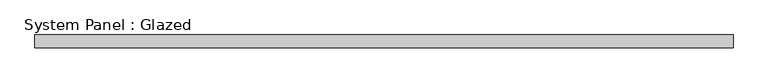
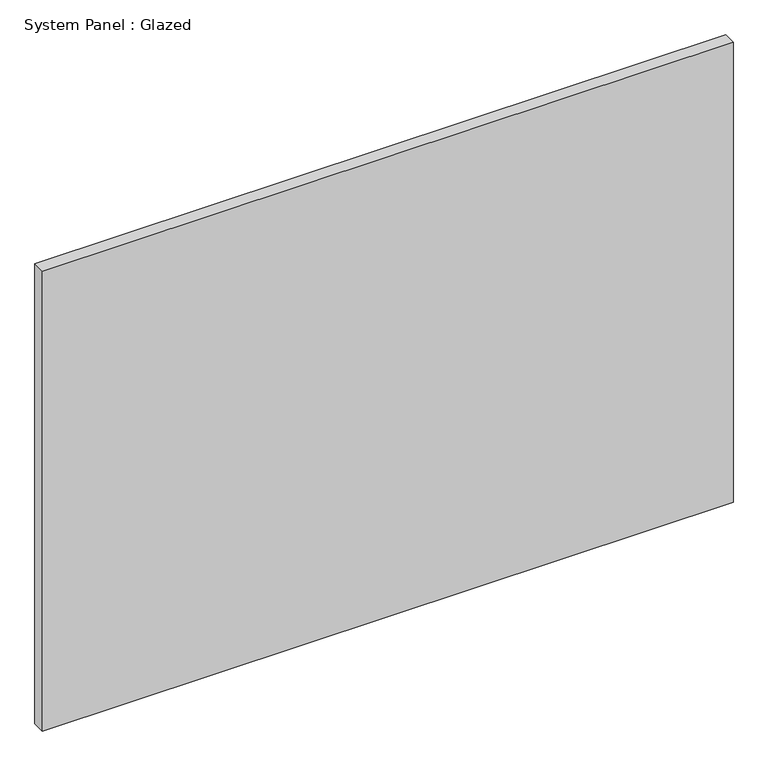
"""IFC4 building model written with IfcOpenShell, lengths in millimetres: plate geometry, System Panel : Glazed."""

from ifc_helpers import new_model, si_unit, origin, origin_with_axes, place, context, project, spatial, polyline, outline, extrude, source, transform, mapped, element, save


def system_panel_glazed_39a921c3(model_context):
    return source(origin(), model_context, "Body", "SweptSolid", [
        extrude(outline(polyline([(686.5369108, 19.05), (-686.5369108, 19.05), (-686.5369108, 44.45), (686.5369108, 44.45), (686.5369108, 19.05)])), origin_with_axes(), (0.0, 0.0, 1.0), 966.6738216),
    ])


if __name__ == "__main__":
    model = new_model("IFC4")
    model_context = context("Model", 3, world=origin())
    ifc_project = project(units=[si_unit("LENGTHUNIT", "METRE", prefix="MILLI")], contexts=[model_context])
    site = spatial("IfcSite", under=ifc_project)
    building = spatial("IfcBuilding", under=site)
    placement = place(None, origin())
    system_panel_glazed_shape = system_panel_glazed_39a921c3(model_context)
    element("IfcPlate", 1, ObjectType="System Panel : Glazed", at=placement, inside=building, context=model_context, shape_type="MappedRepresentation", body=[
        mapped(system_panel_glazed_shape, transform((0.0, 0.0, 0.0), x_axis=(1.0, 0.0, 0.0), y_axis=(0.0, 1.0, 0.0), z_axis=(0.0, 0.0, 1.0))),
    ])
    save(model, "model.ifc")
